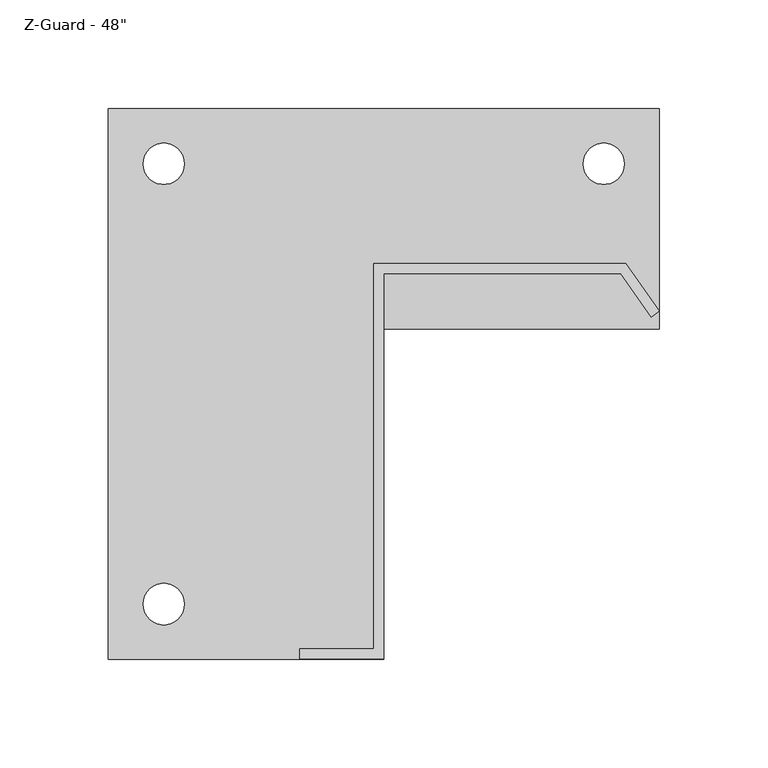
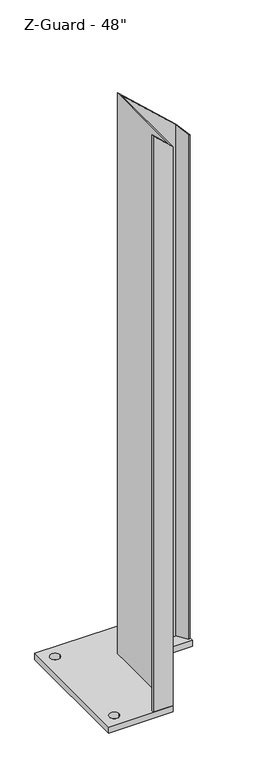
"""IFC4 building model written with IfcOpenShell, lengths in millimetres: proxy geometry."""

from ifc_helpers import new_model, si_unit, point, frame_2d, origin, origin_with_axes, place, context, project, spatial, polyline, circle_curve, trimmed, segment, composite_curve, outline, extrude, faceted_brep, source, transform, mapped, element, save


def proxy_617a50bd(model_context):
    return source(origin(), model_context, "Body", "SolidModel", [
        extrude(outline(polyline([(-170.8184232, 161.925), (83.1815768, 161.925), (83.1815768, 60.325), (-43.8184232, 60.325), (-43.8184232, -92.075), (-170.8184232, -92.075), (-170.8184232, 161.925)]), holes=[composite_curve([segment(trimmed(circle_curve(frame_2d((-145.2898945, -66.675)), 9.525), [point((-154.8148945, -66.675))], [point((-135.7648945, -66.675))], True, "CARTESIAN"), True, "CONTINUOUS"), segment(trimmed(circle_curve(frame_2d((-145.2898945, -66.675)), 9.525), [point((-135.7648945, -66.675))], [point((-154.8148945, -66.675))], True, "CARTESIAN"), True, "CONTINUOUS")], self_intersect=False), composite_curve([segment(trimmed(circle_curve(frame_2d((-145.2898945, 136.525)), 9.525), [point((-154.8148945, 136.525))], [point((-135.7648945, 136.525))], True, "CARTESIAN"), True, "CONTINUOUS"), segment(trimmed(circle_curve(frame_2d((-145.2898945, 136.525)), 9.525), [point((-135.7648945, 136.525))], [point((-154.8148945, 136.525))], True, "CARTESIAN"), True, "CONTINUOUS")], self_intersect=False), composite_curve([segment(trimmed(circle_curve(frame_2d((57.6530481, 136.525)), 9.525), [point((48.1280481, 136.525))], [point((67.1780481, 136.525))], True, "CARTESIAN"), True, "CONTINUOUS"), segment(trimmed(circle_curve(frame_2d((57.6530481, 136.525)), 9.525), [point((67.1780481, 136.525))], [point((48.1280481, 136.525))], True, "CARTESIAN"), True, "CONTINUOUS")], self_intersect=False)]), origin_with_axes(), (0.0, 0.0, 1.0), 12.7),
        faceted_brep([(-48.3904232, -87.503, 12.7), (-48.3904232, 90.297, 12.7), (67.7763498, 90.297, 12.7), (83.1815768, 68.296028, 12.7), (79.436423, 65.6736558, 12.7), (65.396319, 85.725, 12.7), (-43.8184232, 85.725, 12.7), (-43.8184232, -92.075, 12.7), (-82.55, -92.075, 12.7), (-82.55, -87.503, 12.7), (-48.3904232, -87.503, 1187.7882461), (-48.3904232, 90.297, 1187.7882461), (67.7763498, 90.297, 1080.9660186), (83.1815768, 68.296028, 1066.8), (79.436423, 65.6736558, 1070.2438907), (65.396319, 85.725, 1083.1545978), (-43.8184232, 85.725, 1183.5840213), (-43.8184232, -92.075, 1183.5840213), (-82.55, -92.075, 1219.2), (-82.55, -87.503, 1219.2)], [[[0, 1, 2, 3, 4, 5, 6, 7, 8, 9]], [[0, 10, 11, 1]], [[1, 11, 12, 2]], [[2, 12, 13, 3]], [[3, 13, 14, 4]], [[4, 14, 15, 5]], [[5, 15, 16, 6]], [[6, 16, 17, 7]], [[7, 17, 18, 8]], [[8, 18, 19, 9]], [[9, 19, 10, 0]], [[10, 19, 18, 17, 16, 15, 14, 13, 12, 11]]]),
    ])


if __name__ == "__main__":
    model = new_model("IFC4")
    model_context = context("Model", 3, world=origin())
    ifc_project = project(units=[si_unit("LENGTHUNIT", "METRE", prefix="MILLI")], contexts=[model_context])
    site = spatial("IfcSite", under=ifc_project)
    building = spatial("IfcBuilding", under=site)
    placement = place(None, origin())
    proxy_shape = proxy_617a50bd(model_context)
    element("IfcBuildingElementProxy", 1, Name="Z-Guard - 48\"", ObjectType="Z-Guard - 48\"", at=placement, inside=building, context=model_context, shape_type="MappedRepresentation", body=[
        mapped(proxy_shape, transform((0.0, 0.0, 0.0), x_axis=(1.0, 0.0, 0.0), y_axis=(0.0, 1.0, 0.0), z_axis=(0.0, 0.0, 1.0))),
    ])
    save(model, "model.ifc")
